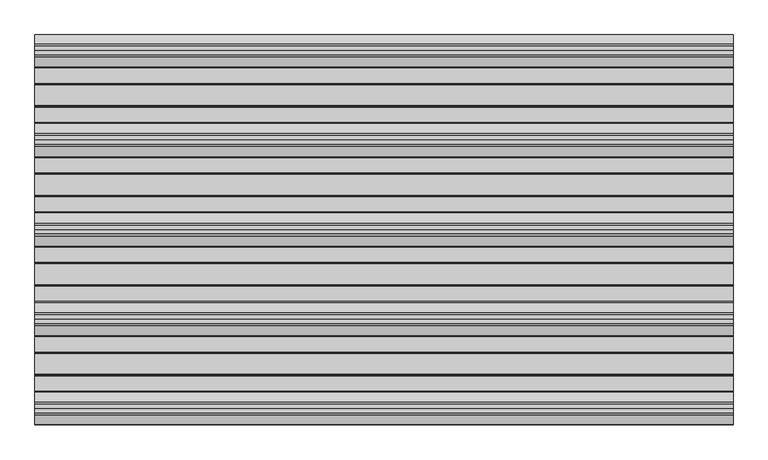
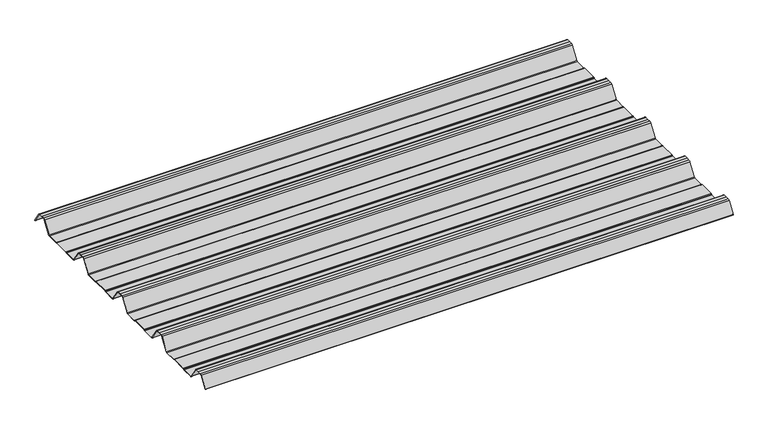
"""IFC4 building model written with IfcOpenShell, lengths in millimetres: beam geometry."""

from ifc_helpers import new_model, si_unit, point, frame, frame_2d, origin, place, context, project, spatial, polyline, circle_curve, trimmed, segment, composite_curve, outline, extrude, source, transform, mapped, element, save


def beam_c1dbed69(model_context):
    return source(origin(), model_context, "Body", "SweptSolid", [
        extrude(outline(composite_curve([segment(trimmed(circle_curve(frame_2d((-46.0000005, -21.3396478)), 3.4499996), [point((-46.0000005, -24.7896475))], [point((-43.1739261, -23.3184861))], True, "CARTESIAN"), True, "CONTINUOUS"), segment(polyline([(-43.1739261, -23.3184861), (-16.8654458, 16.4172784)]), True, "CONTINUOUS"), segment(trimmed(circle_curve(frame_2d((-11.5, 12.6603525)), 6.55), [point((-16.8654458, 16.4172784))], [point((-11.5, 19.2103525))], False, "CARTESIAN"), True, "CONTINUOUS"), segment(polyline([(-11.5, 19.2103525), (0.0, 19.2103525), (11.5, 19.2103525)]), True, "CONTINUOUS"), segment(trimmed(circle_curve(frame_2d((11.5, 12.6603525)), 6.55), [point((11.5, 19.2103525))], [point((16.8654458, 16.4172784))], False, "CARTESIAN"), True, "CONTINUOUS"), segment(polyline([(16.8654458, 16.4172784), (40.8053395, -19.7410236)]), True, "CONTINUOUS"), segment(trimmed(circle_curve(frame_2d((40.3884349, -20.0170501)), 0.5), [point((40.8053395, -19.7410236))], [point((39.9715304, -20.2930766))], False, "CARTESIAN"), True, "CONTINUOUS"), segment(polyline([(39.9715304, -20.2930766), (16.0391227, 15.8539187)]), True, "CONTINUOUS"), segment(trimmed(circle_curve(frame_2d((11.5, 12.6603525)), 5.55), [point((16.0391227, 15.8539187))], [point((11.5, 18.2103525))], True, "CARTESIAN"), True, "CONTINUOUS"), segment(polyline([(11.5, 18.2103525), (0.0, 18.2103525), (-11.5, 18.2103525)]), True, "CONTINUOUS"), segment(trimmed(circle_curve(frame_2d((-11.5, 12.6603525)), 5.55), [point((-11.5, 18.2103525))], [point((-16.0391227, 15.8539187))], True, "CARTESIAN"), True, "CONTINUOUS"), segment(polyline([(-16.0391227, 15.8539187), (-42.3468485, -23.8807062)]), True, "CONTINUOUS"), segment(trimmed(circle_curve(frame_2d((-46.0000005, -21.3396478)), 4.4499996), [point((-42.3468485, -23.8807062))], [point((-46.0000005, -25.7896475))], False, "CARTESIAN"), True, "CONTINUOUS"), segment(polyline([(-46.0000005, -25.7896475), (-85.388552, -25.7896475)]), True, "CONTINUOUS"), segment(trimmed(circle_curve(frame_2d((-85.388552, -24.3396475)), 1.45), [point((-85.388552, -25.7896475))], [point((-86.3205937, -25.4504122))], False, "CARTESIAN"), True, "CONTINUOUS"), segment(polyline([(-86.3205937, -25.4504122), (-87.5888326, -24.386234)]), True, "CONTINUOUS"), segment(trimmed(circle_curve(frame_2d((-89.2279412, -26.3396487)), 2.5500012), [point((-87.5888326, -24.386234))], [point((-89.2279412, -23.7896475))], True, "CARTESIAN"), True, "CONTINUOUS"), segment(polyline([(-89.2279412, -23.7896475), (-143.2720588, -23.7896475)]), True, "CONTINUOUS"), segment(trimmed(circle_curve(frame_2d((-143.2720588, -26.3396487)), 2.5500012), [point((-143.2720588, -23.7896475))], [point((-144.9111674, -24.386234))], True, "CARTESIAN"), True, "CONTINUOUS"), segment(polyline([(-144.9111674, -24.386234), (-146.1794063, -25.4504122)]), True, "CONTINUOUS"), segment(trimmed(circle_curve(frame_2d((-147.111448, -24.3396475)), 1.45), [point((-146.1794063, -25.4504122))], [point((-147.111448, -25.7896475))], False, "CARTESIAN"), True, "CONTINUOUS"), segment(polyline([(-147.111448, -25.7896475), (-186.4999995, -25.7896475)]), True, "CONTINUOUS"), segment(trimmed(circle_curve(frame_2d((-186.4999995, -21.3396478)), 4.4499996), [point((-186.4999995, -25.7896475))], [point((-190.1531515, -23.8807062))], False, "CARTESIAN"), True, "CONTINUOUS"), segment(polyline([(-190.1531515, -23.8807062), (-216.4608773, 15.8539187)]), True, "CONTINUOUS"), segment(trimmed(circle_curve(frame_2d((-221.0, 12.6603525)), 5.55), [point((-216.4608773, 15.8539187))], [point((-221.0, 18.2103525))], True, "CARTESIAN"), True, "CONTINUOUS"), segment(polyline([(-221.0, 18.2103525), (-232.5, 18.2103525), (-244.0, 18.2103525)]), True, "CONTINUOUS"), segment(trimmed(circle_curve(frame_2d((-244.0, 12.6603525)), 5.55), [point((-244.0, 18.2103525))], [point((-248.5391227, 15.8539187))], True, "CARTESIAN"), True, "CONTINUOUS"), segment(polyline([(-248.5391227, 15.8539187), (-274.8468485, -23.8807062)]), True, "CONTINUOUS"), segment(trimmed(circle_curve(frame_2d((-278.5000005, -21.3396478)), 4.4499996), [point((-274.8468485, -23.8807062))], [point((-278.5000005, -25.7896475))], False, "CARTESIAN"), True, "CONTINUOUS"), segment(polyline([(-278.5000005, -25.7896475), (-317.888552, -25.7896475)]), True, "CONTINUOUS"), segment(trimmed(circle_curve(frame_2d((-317.888552, -24.3396475)), 1.45), [point((-317.888552, -25.7896475))], [point((-318.8205937, -25.4504122))], False, "CARTESIAN"), True, "CONTINUOUS"), segment(polyline([(-318.8205937, -25.4504122), (-320.0888326, -24.386234)]), True, "CONTINUOUS"), segment(trimmed(circle_curve(frame_2d((-321.7279412, -26.3396487)), 2.5500012), [point((-320.0888326, -24.386234))], [point((-321.7279412, -23.7896475))], True, "CARTESIAN"), True, "CONTINUOUS"), segment(polyline([(-321.7279412, -23.7896475), (-375.7720588, -23.7896475)]), True, "CONTINUOUS"), segment(trimmed(circle_curve(frame_2d((-375.7720588, -26.3396487)), 2.5500012), [point((-375.7720588, -23.7896475))], [point((-377.4111674, -24.386234))], True, "CARTESIAN"), True, "CONTINUOUS"), segment(polyline([(-377.4111674, -24.386234), (-378.6794063, -25.4504122)]), True, "CONTINUOUS"), segment(trimmed(circle_curve(frame_2d((-379.611448, -24.3396475)), 1.45), [point((-378.6794063, -25.4504122))], [point((-379.611448, -25.7896475))], False, "CARTESIAN"), True, "CONTINUOUS"), segment(polyline([(-379.611448, -25.7896475), (-418.9999995, -25.7896475)]), True, "CONTINUOUS"), segment(trimmed(circle_curve(frame_2d((-418.9999995, -21.3396478)), 4.4499996), [point((-418.9999995, -25.7896475))], [point((-422.6531515, -23.8807062))], False, "CARTESIAN"), True, "CONTINUOUS"), segment(polyline([(-422.6531515, -23.8807062), (-448.9608773, 15.8539187)]), True, "CONTINUOUS"), segment(trimmed(circle_curve(frame_2d((-453.5, 12.6603525)), 5.55), [point((-448.9608773, 15.8539187))], [point((-453.5, 18.2103525))], True, "CARTESIAN"), True, "CONTINUOUS"), segment(polyline([(-453.5, 18.2103525), (-465.0, 18.2103525), (-476.5, 18.2103525)]), True, "CONTINUOUS"), segment(trimmed(circle_curve(frame_2d((-476.5, 12.6603525)), 5.55), [point((-476.5, 18.2103525))], [point((-481.0391227, 15.8539187))], True, "CARTESIAN"), True, "CONTINUOUS"), segment(polyline([(-481.0391227, 15.8539187), (-507.3468485, -23.8807062)]), True, "CONTINUOUS"), segment(trimmed(circle_curve(frame_2d((-511.0000005, -21.3396478)), 4.4499996), [point((-507.3468485, -23.8807062))], [point((-511.0000005, -25.7896475))], False, "CARTESIAN"), True, "CONTINUOUS"), segment(polyline([(-511.0000005, -25.7896475), (-550.388552, -25.7896475)]), True, "CONTINUOUS"), segment(trimmed(circle_curve(frame_2d((-550.388552, -24.3396475)), 1.45), [point((-550.388552, -25.7896475))], [point((-551.3205937, -25.4504122))], False, "CARTESIAN"), True, "CONTINUOUS"), segment(polyline([(-551.3205937, -25.4504122), (-552.5888326, -24.386234)]), True, "CONTINUOUS"), segment(trimmed(circle_curve(frame_2d((-554.2279412, -26.3396487)), 2.5500012), [point((-552.5888326, -24.386234))], [point((-554.2279412, -23.7896475))], True, "CARTESIAN"), True, "CONTINUOUS"), segment(polyline([(-554.2279412, -23.7896475), (-608.2720588, -23.7896475)]), True, "CONTINUOUS"), segment(trimmed(circle_curve(frame_2d((-608.2720588, -26.3396487)), 2.5500012), [point((-608.2720588, -23.7896475))], [point((-609.9111674, -24.386234))], True, "CARTESIAN"), True, "CONTINUOUS"), segment(polyline([(-609.9111674, -24.386234), (-611.1794063, -25.4504122)]), True, "CONTINUOUS"), segment(trimmed(circle_curve(frame_2d((-612.111448, -24.3396475)), 1.45), [point((-611.1794063, -25.4504122))], [point((-612.111448, -25.7896475))], False, "CARTESIAN"), True, "CONTINUOUS"), segment(polyline([(-612.111448, -25.7896475), (-651.4999995, -25.7896475)]), True, "CONTINUOUS"), segment(trimmed(circle_curve(frame_2d((-651.4999995, -21.3396478)), 4.4499996), [point((-651.4999995, -25.7896475))], [point((-655.1531515, -23.8807062))], False, "CARTESIAN"), True, "CONTINUOUS"), segment(polyline([(-655.1531515, -23.8807062), (-681.4608773, 15.8539187)]), True, "CONTINUOUS"), segment(trimmed(circle_curve(frame_2d((-686.0, 12.6603525)), 5.55), [point((-681.4608773, 15.8539187))], [point((-686.0, 18.2103525))], True, "CARTESIAN"), True, "CONTINUOUS"), segment(polyline([(-686.0, 18.2103525), (-697.5, 18.2103525), (-709.0, 18.2103525)]), True, "CONTINUOUS"), segment(trimmed(circle_curve(frame_2d((-709.0, 12.6603525)), 5.55), [point((-709.0, 18.2103525))], [point((-713.5391227, 15.8539187))], True, "CARTESIAN"), True, "CONTINUOUS"), segment(polyline([(-713.5391227, 15.8539187), (-739.8468485, -23.8807062)]), True, "CONTINUOUS"), segment(trimmed(circle_curve(frame_2d((-743.5000005, -21.3396478)), 4.4499996), [point((-739.8468485, -23.8807062))], [point((-743.5000005, -25.7896475))], False, "CARTESIAN"), True, "CONTINUOUS"), segment(polyline([(-743.5000005, -25.7896475), (-782.888552, -25.7896475)]), True, "CONTINUOUS"), segment(trimmed(circle_curve(frame_2d((-782.888552, -24.3396475)), 1.45), [point((-782.888552, -25.7896475))], [point((-783.8205937, -25.4504122))], False, "CARTESIAN"), True, "CONTINUOUS"), segment(polyline([(-783.8205937, -25.4504122), (-785.0888326, -24.386234)]), True, "CONTINUOUS"), segment(trimmed(circle_curve(frame_2d((-786.7279412, -26.3396487)), 2.5500012), [point((-785.0888326, -24.386234))], [point((-786.7279412, -23.7896475))], True, "CARTESIAN"), True, "CONTINUOUS"), segment(polyline([(-786.7279412, -23.7896475), (-840.7720588, -23.7896475)]), True, "CONTINUOUS"), segment(trimmed(circle_curve(frame_2d((-840.7720588, -26.3396487)), 2.5500012), [point((-840.7720588, -23.7896475))], [point((-842.4111674, -24.386234))], True, "CARTESIAN"), True, "CONTINUOUS"), segment(polyline([(-842.4111674, -24.386234), (-843.6794063, -25.4504122)]), True, "CONTINUOUS"), segment(trimmed(circle_curve(frame_2d((-844.611448, -24.3396475)), 1.45), [point((-843.6794063, -25.4504122))], [point((-844.611448, -25.7896475))], False, "CARTESIAN"), True, "CONTINUOUS"), segment(polyline([(-844.611448, -25.7896475), (-883.9999995, -25.7896475)]), True, "CONTINUOUS"), segment(trimmed(circle_curve(frame_2d((-883.9999995, -21.3396478)), 4.4499996), [point((-883.9999995, -25.7896475))], [point((-887.6531515, -23.8807062))], False, "CARTESIAN"), True, "CONTINUOUS"), segment(polyline([(-887.6531515, -23.8807062), (-913.9608773, 15.8539187)]), True, "CONTINUOUS"), segment(trimmed(circle_curve(frame_2d((-918.5, 12.6603525)), 5.55), [point((-913.9608773, 15.8539187))], [point((-918.5, 18.2103525))], True, "CARTESIAN"), True, "CONTINUOUS"), segment(polyline([(-918.5, 18.2103525), (-930.0, 18.2103525), (-941.5, 18.2103525)]), True, "CONTINUOUS"), segment(trimmed(circle_curve(frame_2d((-941.5, 12.6603525)), 5.55), [point((-941.5, 18.2103525))], [point((-946.0391227, 15.8539187))], True, "CARTESIAN"), True, "CONTINUOUS"), segment(polyline([(-946.0391227, 15.8539187), (-969.9715304, -20.2930766)]), True, "CONTINUOUS"), segment(trimmed(circle_curve(frame_2d((-970.3884349, -20.0170501)), 0.5), [point((-969.9715304, -20.2930766))], [point((-970.8053395, -19.7410236))], False, "CARTESIAN"), True, "CONTINUOUS"), segment(polyline([(-970.8053395, -19.7410236), (-946.8654458, 16.4172784)]), True, "CONTINUOUS"), segment(trimmed(circle_curve(frame_2d((-941.5, 12.6603525)), 6.55), [point((-946.8654458, 16.4172784))], [point((-941.5, 19.2103525))], False, "CARTESIAN"), True, "CONTINUOUS"), segment(polyline([(-941.5, 19.2103525), (-930.0, 19.2103525), (-918.5, 19.2103525)]), True, "CONTINUOUS"), segment(trimmed(circle_curve(frame_2d((-918.5, 12.6603525)), 6.55), [point((-918.5, 19.2103525))], [point((-913.1345542, 16.4172784))], False, "CARTESIAN"), True, "CONTINUOUS"), segment(polyline([(-913.1345542, 16.4172784), (-886.8260739, -23.3184861)]), True, "CONTINUOUS"), segment(trimmed(circle_curve(frame_2d((-883.9999995, -21.3396478)), 3.4499996), [point((-886.8260739, -23.3184861))], [point((-883.9999995, -24.7896475))], True, "CARTESIAN"), True, "CONTINUOUS"), segment(polyline([(-883.9999995, -24.7896475), (-844.8915726, -24.7896475)]), True, "CONTINUOUS"), segment(trimmed(circle_curve(frame_2d((-844.8915726, -23.5700111)), 1.2196364), [point((-844.8915726, -24.7896475))], [point((-844.1076057, -24.504307))], True, "CARTESIAN"), True, "CONTINUOUS"), segment(polyline([(-844.1076057, -24.504307), (-843.0539548, -23.6201894)]), True, "CONTINUOUS"), segment(trimmed(circle_curve(frame_2d((-840.7720588, -26.3396487)), 3.5500012), [point((-843.0539548, -23.6201894))], [point((-840.7720588, -22.7896475))], False, "CARTESIAN"), True, "CONTINUOUS"), segment(polyline([(-840.7720588, -22.7896475), (-786.7279412, -22.7896475)]), True, "CONTINUOUS"), segment(trimmed(circle_curve(frame_2d((-786.7279412, -26.3396487)), 3.5500012), [point((-786.7279412, -22.7896475))], [point((-784.4460452, -23.6201894))], False, "CARTESIAN"), True, "CONTINUOUS"), segment(polyline([(-784.4460452, -23.6201894), (-783.3923943, -24.504307)]), True, "CONTINUOUS"), segment(trimmed(circle_curve(frame_2d((-782.6084274, -23.5700111)), 1.2196364), [point((-783.3923943, -24.504307))], [point((-782.6084274, -24.7896475))], True, "CARTESIAN"), True, "CONTINUOUS"), segment(polyline([(-782.6084274, -24.7896475), (-743.5000005, -24.7896475)]), True, "CONTINUOUS"), segment(trimmed(circle_curve(frame_2d((-743.5000005, -21.3396478)), 3.4499996), [point((-743.5000005, -24.7896475))], [point((-740.6739261, -23.3184861))], True, "CARTESIAN"), True, "CONTINUOUS"), segment(polyline([(-740.6739261, -23.3184861), (-714.3654458, 16.4172784)]), True, "CONTINUOUS"), segment(trimmed(circle_curve(frame_2d((-709.0, 12.6603525)), 6.55), [point((-714.3654458, 16.4172784))], [point((-709.0, 19.2103525))], False, "CARTESIAN"), True, "CONTINUOUS"), segment(polyline([(-709.0, 19.2103525), (-697.5, 19.2103525), (-686.0, 19.2103525)]), True, "CONTINUOUS"), segment(trimmed(circle_curve(frame_2d((-686.0, 12.6603525)), 6.55), [point((-686.0, 19.2103525))], [point((-680.6345542, 16.4172784))], False, "CARTESIAN"), True, "CONTINUOUS"), segment(polyline([(-680.6345542, 16.4172784), (-654.3260739, -23.3184861)]), True, "CONTINUOUS"), segment(trimmed(circle_curve(frame_2d((-651.4999995, -21.3396478)), 3.4499996), [point((-654.3260739, -23.3184861))], [point((-651.4999995, -24.7896475))], True, "CARTESIAN"), True, "CONTINUOUS"), segment(polyline([(-651.4999995, -24.7896475), (-612.3915726, -24.7896475)]), True, "CONTINUOUS"), segment(trimmed(circle_curve(frame_2d((-612.3915726, -23.5700111)), 1.2196364), [point((-612.3915726, -24.7896475))], [point((-611.6076057, -24.504307))], True, "CARTESIAN"), True, "CONTINUOUS"), segment(polyline([(-611.6076057, -24.504307), (-610.5539548, -23.6201894)]), True, "CONTINUOUS"), segment(trimmed(circle_curve(frame_2d((-608.2720588, -26.3396487)), 3.5500012), [point((-610.5539548, -23.6201894))], [point((-608.2720588, -22.7896475))], False, "CARTESIAN"), True, "CONTINUOUS"), segment(polyline([(-608.2720588, -22.7896475), (-554.2279412, -22.7896475)]), True, "CONTINUOUS"), segment(trimmed(circle_curve(frame_2d((-554.2279412, -26.3396487)), 3.5500012), [point((-554.2279412, -22.7896475))], [point((-551.9460452, -23.6201894))], False, "CARTESIAN"), True, "CONTINUOUS"), segment(polyline([(-551.9460452, -23.6201894), (-550.8923943, -24.504307)]), True, "CONTINUOUS"), segment(trimmed(circle_curve(frame_2d((-550.1084274, -23.5700111)), 1.2196364), [point((-550.8923943, -24.504307))], [point((-550.1084274, -24.7896475))], True, "CARTESIAN"), True, "CONTINUOUS"), segment(polyline([(-550.1084274, -24.7896475), (-511.0000005, -24.7896475)]), True, "CONTINUOUS"), segment(trimmed(circle_curve(frame_2d((-511.0000005, -21.3396478)), 3.4499996), [point((-511.0000005, -24.7896475))], [point((-508.1739261, -23.3184861))], True, "CARTESIAN"), True, "CONTINUOUS"), segment(polyline([(-508.1739261, -23.3184861), (-481.8654458, 16.4172784)]), True, "CONTINUOUS"), segment(trimmed(circle_curve(frame_2d((-476.5, 12.6603525)), 6.55), [point((-481.8654458, 16.4172784))], [point((-476.5, 19.2103525))], False, "CARTESIAN"), True, "CONTINUOUS"), segment(polyline([(-476.5, 19.2103525), (-465.0, 19.2103525), (-453.5, 19.2103525)]), True, "CONTINUOUS"), segment(trimmed(circle_curve(frame_2d((-453.5, 12.6603525)), 6.55), [point((-453.5, 19.2103525))], [point((-448.1345542, 16.4172784))], False, "CARTESIAN"), True, "CONTINUOUS"), segment(polyline([(-448.1345542, 16.4172784), (-421.8260739, -23.3184861)]), True, "CONTINUOUS"), segment(trimmed(circle_curve(frame_2d((-418.9999995, -21.3396478)), 3.4499996), [point((-421.8260739, -23.3184861))], [point((-418.9999995, -24.7896475))], True, "CARTESIAN"), True, "CONTINUOUS"), segment(polyline([(-418.9999995, -24.7896475), (-379.8915726, -24.7896475)]), True, "CONTINUOUS"), segment(trimmed(circle_curve(frame_2d((-379.8915726, -23.5700111)), 1.2196364), [point((-379.8915726, -24.7896475))], [point((-379.1076057, -24.504307))], True, "CARTESIAN"), True, "CONTINUOUS"), segment(polyline([(-379.1076057, -24.504307), (-378.0539548, -23.6201894)]), True, "CONTINUOUS"), segment(trimmed(circle_curve(frame_2d((-375.7720588, -26.3396487)), 3.5500012), [point((-378.0539548, -23.6201894))], [point((-375.7720588, -22.7896475))], False, "CARTESIAN"), True, "CONTINUOUS"), segment(polyline([(-375.7720588, -22.7896475), (-321.7279412, -22.7896475)]), True, "CONTINUOUS"), segment(trimmed(circle_curve(frame_2d((-321.7279412, -26.3396487)), 3.5500012), [point((-321.7279412, -22.7896475))], [point((-319.4460452, -23.6201894))], False, "CARTESIAN"), True, "CONTINUOUS"), segment(polyline([(-319.4460452, -23.6201894), (-318.3923943, -24.504307)]), True, "CONTINUOUS"), segment(trimmed(circle_curve(frame_2d((-317.6084274, -23.5700111)), 1.2196364), [point((-318.3923943, -24.504307))], [point((-317.6084274, -24.7896475))], True, "CARTESIAN"), True, "CONTINUOUS"), segment(polyline([(-317.6084274, -24.7896475), (-278.5000005, -24.7896475)]), True, "CONTINUOUS"), segment(trimmed(circle_curve(frame_2d((-278.5000005, -21.3396478)), 3.4499996), [point((-278.5000005, -24.7896475))], [point((-275.6739261, -23.3184861))], True, "CARTESIAN"), True, "CONTINUOUS"), segment(polyline([(-275.6739261, -23.3184861), (-249.3654458, 16.4172784)]), True, "CONTINUOUS"), segment(trimmed(circle_curve(frame_2d((-244.0, 12.6603525)), 6.55), [point((-249.3654458, 16.4172784))], [point((-244.0, 19.2103525))], False, "CARTESIAN"), True, "CONTINUOUS"), segment(polyline([(-244.0, 19.2103525), (-232.5, 19.2103525), (-221.0, 19.2103525)]), True, "CONTINUOUS"), segment(trimmed(circle_curve(frame_2d((-221.0, 12.6603525)), 6.55), [point((-221.0, 19.2103525))], [point((-215.6345542, 16.4172784))], False, "CARTESIAN"), True, "CONTINUOUS"), segment(polyline([(-215.6345542, 16.4172784), (-189.3260739, -23.3184861)]), True, "CONTINUOUS"), segment(trimmed(circle_curve(frame_2d((-186.4999995, -21.3396478)), 3.4499996), [point((-189.3260739, -23.3184861))], [point((-186.4999995, -24.7896475))], True, "CARTESIAN"), True, "CONTINUOUS"), segment(polyline([(-186.4999995, -24.7896475), (-147.3915726, -24.7896475)]), True, "CONTINUOUS"), segment(trimmed(circle_curve(frame_2d((-147.3915726, -23.5700111)), 1.2196364), [point((-147.3915726, -24.7896475))], [point((-146.6076057, -24.504307))], True, "CARTESIAN"), True, "CONTINUOUS"), segment(polyline([(-146.6076057, -24.504307), (-145.5539548, -23.6201894)]), True, "CONTINUOUS"), segment(trimmed(circle_curve(frame_2d((-143.2720588, -26.3396487)), 3.5500012), [point((-145.5539548, -23.6201894))], [point((-143.2720588, -22.7896475))], False, "CARTESIAN"), True, "CONTINUOUS"), segment(polyline([(-143.2720588, -22.7896475), (-89.2279412, -22.7896475)]), True, "CONTINUOUS"), segment(trimmed(circle_curve(frame_2d((-89.2279412, -26.3396487)), 3.5500012), [point((-89.2279412, -22.7896475))], [point((-86.9460452, -23.6201894))], False, "CARTESIAN"), True, "CONTINUOUS"), segment(polyline([(-86.9460452, -23.6201894), (-85.8923943, -24.504307)]), True, "CONTINUOUS"), segment(trimmed(circle_curve(frame_2d((-85.1084274, -23.5700111)), 1.2196364), [point((-85.8923943, -24.504307))], [point((-85.1084274, -24.7896475))], True, "CARTESIAN"), True, "CONTINUOUS"), segment(polyline([(-85.1084274, -24.7896475), (-46.0000005, -24.7896475)]), True, "CONTINUOUS")], self_intersect=False)), frame((-905.0, 0.0, 0.0), z_axis=(1.0, 0.0, 0.0), x_axis=(0.0, 1.0, 0.0)), (0.0, 0.0, 1.0), 1810.0),
    ])


if __name__ == "__main__":
    model = new_model("IFC4")
    model_context = context("Model", 3, world=origin())
    ifc_project = project(units=[si_unit("LENGTHUNIT", "METRE", prefix="MILLI")], contexts=[model_context])
    site = spatial("IfcSite", under=ifc_project)
    building = spatial("IfcBuilding", under=site)
    placement = place(None, origin())
    beam_shape = beam_c1dbed69(model_context)
    element("IfcBeam", 1, at=placement, inside=building, context=model_context, shape_type="MappedRepresentation", body=[
        mapped(beam_shape, transform((0.0, 0.0, 0.0), x_axis=(1.0, 0.0, 0.0), y_axis=(0.0, 1.0, 0.0), z_axis=(0.0, 0.0, 1.0))),
    ])
    save(model, "model.ifc")
